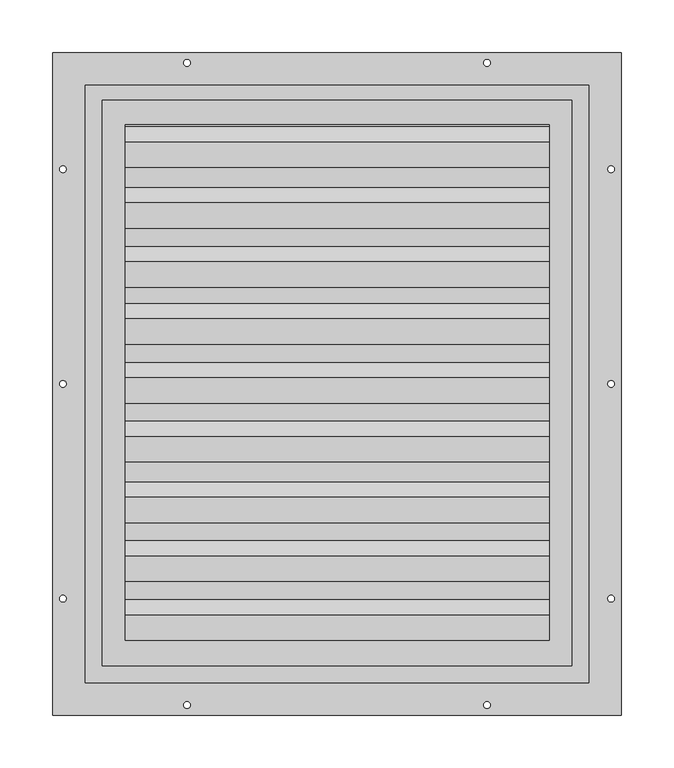
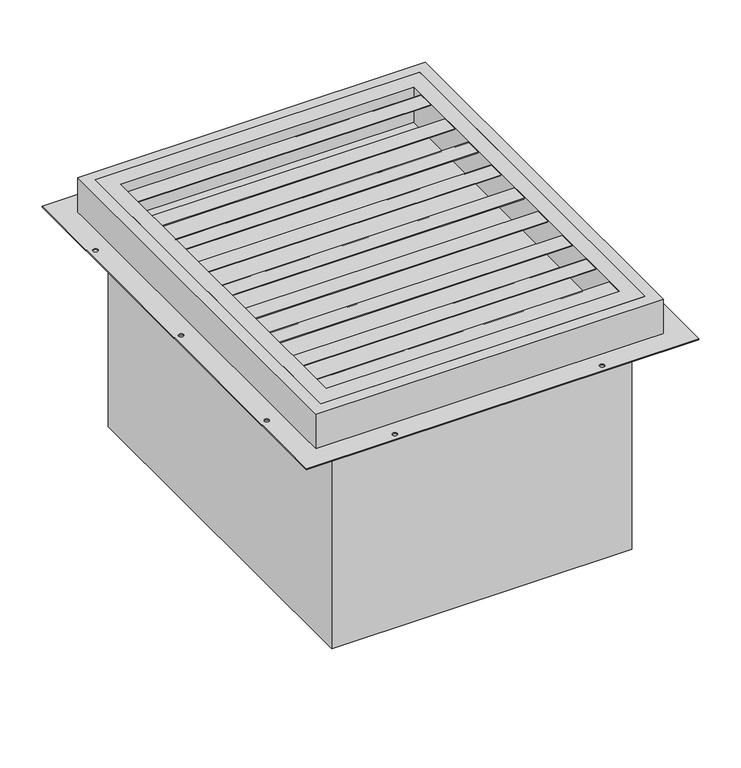
"""IFC4 building model written with IfcOpenShell, lengths in millimetres: proxy geometry."""

from ifc_helpers import new_model, si_unit, point, frame, frame_2d, origin, origin_with_axes, place, context, project, spatial, polyline, circle_curve, trimmed, segment, composite_curve, outline, extrude, source, transform, mapped, element, save


def generic_models_352aea15(model_context):
    return source(origin(), model_context, "Body", "SweptSolid", [
        extrude(outline(polyline([(-204.3155681, 26.8411275), (-205.3315681, 26.8411275), (-205.3315681, 34.9292863), (-219.1048184, 48.7025366), (-242.6454412, 48.7025366), (-242.6454412, 49.7185366), (-218.6839774, 49.7185366), (-204.3155681, 35.3501273), (-204.3155681, 26.8411275)])), frame((-200.6346, 0.0, 0.0), z_axis=(1.0, 0.0, 0.0), x_axis=(0.0, 1.0, 0.0)), (0.0, 0.0, 1.0), 406.2222),
        extrude(outline(polyline([(-148.5879681, 26.8411275), (-149.6039681, 26.8411275), (-149.6039681, 34.9292863), (-163.3772184, 48.7025366), (-186.9178412, 48.7025366), (-186.9178412, 49.7185366), (-162.9563774, 49.7185366), (-148.5879681, 35.3501273), (-148.5879681, 26.8411275)])), frame((-200.6346, 0.0, 0.0), z_axis=(1.0, 0.0, 0.0), x_axis=(0.0, 1.0, 0.0)), (0.0, 0.0, 1.0), 406.2222),
        extrude(outline(polyline([(-92.8603681, 26.8411275), (-93.8763681, 26.8411275), (-93.8763681, 34.9292863), (-107.6496184, 48.7025366), (-131.1902412, 48.7025366), (-131.1902412, 49.7185366), (-107.2287774, 49.7185366), (-92.8603681, 35.3501273), (-92.8603681, 26.8411275)])), frame((-200.6346, 0.0, 0.0), z_axis=(1.0, 0.0, 0.0), x_axis=(0.0, 1.0, 0.0)), (0.0, 0.0, 1.0), 406.2222),
        extrude(outline(polyline([(-35.422907, 26.8411275), (-36.438907, 26.8411275), (-36.438907, 34.9292863), (-50.2121574, 48.7025366), (-73.7527802, 48.7025366), (-73.7527802, 49.7185366), (-49.7913164, 49.7185366), (-35.422907, 35.3501273), (-35.422907, 26.8411275)])), frame((-200.6346, 0.0, 0.0), z_axis=(1.0, 0.0, 0.0), x_axis=(0.0, 1.0, 0.0)), (0.0, 0.0, 1.0), 406.2222),
        extrude(outline(polyline([(20.304693, 26.8411275), (19.288693, 26.8411275), (19.288693, 34.9292863), (5.5154426, 48.7025366), (-18.0251802, 48.7025366), (-18.0251802, 49.7185366), (5.9362836, 49.7185366), (20.304693, 35.3501273), (20.304693, 26.8411275)])), frame((-200.6346, 0.0, 0.0), z_axis=(1.0, 0.0, 0.0), x_axis=(0.0, 1.0, 0.0)), (0.0, 0.0, 1.0), 406.2222),
        extrude(outline(polyline([(76.032293, 26.8411275), (75.016293, 26.8411275), (75.016293, 34.9292863), (61.2430426, 48.7025366), (37.7024198, 48.7025366), (37.7024198, 49.7185366), (61.6638836, 49.7185366), (76.032293, 35.3501273), (76.032293, 26.8411275)])), frame((-200.6346, 0.0, 0.0), z_axis=(1.0, 0.0, 0.0), x_axis=(0.0, 1.0, 0.0)), (0.0, 0.0, 1.0), 406.2222),
        extrude(outline(polyline([(130.0500319, 26.8411275), (129.0340319, 26.8411275), (129.0340319, 34.9292863), (115.2607816, 48.7025366), (91.7201588, 48.7025366), (91.7201588, 49.7185366), (115.6816226, 49.7185366), (130.0500319, 35.3501273), (130.0500319, 26.8411275)])), frame((-200.6346, 0.0, 0.0), z_axis=(1.0, 0.0, 0.0), x_axis=(0.0, 1.0, 0.0)), (0.0, 0.0, 1.0), 406.2222),
        extrude(outline(polyline([(185.7776319, 26.8411275), (184.7616319, 26.8411275), (184.7616319, 34.9292863), (170.9883816, 48.7025366), (147.4477588, 48.7025366), (147.4477588, 49.7185366), (171.4092226, 49.7185366), (185.7776319, 35.3501273), (185.7776319, 26.8411275)])), frame((-200.6346, 0.0, 0.0), z_axis=(1.0, 0.0, 0.0), x_axis=(0.0, 1.0, 0.0)), (0.0, 0.0, 1.0), 406.2222),
        extrude(outline(polyline([(243.215093, 26.8411275), (242.199093, 26.8411275), (242.199093, 34.9292863), (228.4258426, 48.7025366), (204.8852198, 48.7025366), (204.8852198, 49.7185366), (228.8466836, 49.7185366), (243.215093, 35.3501273), (243.215093, 26.8411275)])), frame((-200.6346, 0.0, 0.0), z_axis=(1.0, 0.0, 0.0), x_axis=(0.0, 1.0, 0.0)), (0.0, 0.0, 1.0), 406.2222),
        extrude(outline(polyline([(222.25, 268.4018), (222.25, -266.7), (-222.25, -266.7), (-222.25, 268.4018), (222.25, 268.4018)]), holes=[polyline([(-200.6346, -242.6454412), (200.7616, -242.6454412), (200.7616, 245.2116), (-200.6346, 245.2116), (-200.6346, -242.6454412)])]), origin_with_axes(), (0.0, 0.0, 1.0), 50.8),
        extrude(outline(composite_curve([segment(trimmed(circle_curve(frame_2d((0.0, 50.8)), 127.0), [point((-127.0, 50.8))], [point((127.0, 50.8))], False, "CARTESIAN"), True, "CONTINUOUS"), segment(trimmed(circle_curve(frame_2d((0.0, 50.8)), 127.0), [point((127.0, 50.8))], [point((-127.0, 50.8))], False, "CARTESIAN"), True, "CONTINUOUS")], self_intersect=False)), frame((0.0, 0.0, -345.948), z_axis=(0.0, 0.0, 1.0), x_axis=(1.0, 0.0, 0.0)), (0.0, 0.0, 1.0), 35.306),
        extrude(outline(composite_curve([segment(trimmed(circle_curve(frame_2d((0.0, 50.8)), 63.5), [point((-63.5, 50.8))], [point((63.5, 50.8))], False, "CARTESIAN"), True, "CONTINUOUS"), segment(trimmed(circle_curve(frame_2d((0.0, 50.8)), 63.5), [point((63.5, 50.8))], [point((-63.5, 50.8))], False, "CARTESIAN"), True, "CONTINUOUS")], self_intersect=False)), frame((0.0, 0.0, -371.348), z_axis=(0.0, 0.0, 1.0), x_axis=(1.0, 0.0, 0.0)), (0.0, 0.0, 1.0), 25.4),
        extrude(outline(polyline([(-205.5876, -264.4659678), (-205.5876, 265.9126), (205.5876, 265.9126), (205.5876, -264.4659678), (-205.5876, -264.4659678)])), frame((0.0, 0.0, -311.15), z_axis=(0.0, 0.0, 1.0), x_axis=(1.0, 0.0, 0.0)), (0.0, 0.0, 1.0), 311.15),
        extrude(outline(polyline([(-238.125, -282.575), (-238.125, 282.575), (238.125, 282.575), (238.125, -282.575), (-238.125, -282.575)]), holes=[polyline([(222.25, 268.4018), (-222.25, 268.4018), (-222.25, -266.7), (222.25, -266.7), (222.25, 268.4018)])]), origin_with_axes(), (0.0, 0.0, 1.0), 50.8),
        extrude(outline(polyline([(-268.9606, 313.4106), (268.9606, 313.4106), (268.9606, -313.4106), (-268.9606, -313.4106), (-268.9606, 313.4106)]), holes=[polyline([(-238.125, -282.575), (238.125, -282.575), (238.125, 282.575), (-238.125, 282.575), (-238.125, -282.575)]), composite_curve([segment(trimmed(circle_curve(frame_2d((-259.4356, -203.2)), 3.175), [point((-262.6106, -203.2))], [point((-256.2606, -203.2))], True, "CARTESIAN"), True, "CONTINUOUS"), segment(trimmed(circle_curve(frame_2d((-259.4356, -203.2)), 3.175), [point((-256.2606, -203.2))], [point((-262.6106, -203.2))], True, "CARTESIAN"), True, "CONTINUOUS")], self_intersect=False), composite_curve([segment(trimmed(circle_curve(frame_2d((-141.9606, -303.8856)), 3.175), [point((-145.1356, -303.8856))], [point((-138.7856, -303.8856))], True, "CARTESIAN"), True, "CONTINUOUS"), segment(trimmed(circle_curve(frame_2d((-141.9606, -303.8856)), 3.175), [point((-138.7856, -303.8856))], [point((-145.1356, -303.8856))], True, "CARTESIAN"), True, "CONTINUOUS")], self_intersect=False), composite_curve([segment(trimmed(circle_curve(frame_2d((141.9606, -303.8856)), 3.175), [point((138.7856, -303.8856))], [point((145.1356, -303.8856))], True, "CARTESIAN"), True, "CONTINUOUS"), segment(trimmed(circle_curve(frame_2d((141.9606, -303.8856)), 3.175), [point((145.1356, -303.8856))], [point((138.7856, -303.8856))], True, "CARTESIAN"), True, "CONTINUOUS")], self_intersect=False), composite_curve([segment(trimmed(circle_curve(frame_2d((259.4356, -203.2)), 3.175), [point((256.2606, -203.2))], [point((262.6106, -203.2))], True, "CARTESIAN"), True, "CONTINUOUS"), segment(trimmed(circle_curve(frame_2d((259.4356, -203.2)), 3.175), [point((262.6106, -203.2))], [point((256.2606, -203.2))], True, "CARTESIAN"), True, "CONTINUOUS")], self_intersect=False), composite_curve([segment(trimmed(circle_curve(frame_2d((259.4356, 0.0)), 3.175), [point((256.2606, 0.0))], [point((262.6106, 0.0))], True, "CARTESIAN"), True, "CONTINUOUS"), segment(trimmed(circle_curve(frame_2d((259.4356, 0.0)), 3.175), [point((262.6106, 0.0))], [point((256.2606, 0.0))], True, "CARTESIAN"), True, "CONTINUOUS")], self_intersect=False), composite_curve([segment(trimmed(circle_curve(frame_2d((259.4356, 203.2)), 3.175), [point((256.2606, 203.2))], [point((262.6106, 203.2))], True, "CARTESIAN"), True, "CONTINUOUS"), segment(trimmed(circle_curve(frame_2d((259.4356, 203.2)), 3.175), [point((262.6106, 203.2))], [point((256.2606, 203.2))], True, "CARTESIAN"), True, "CONTINUOUS")], self_intersect=False), composite_curve([segment(trimmed(circle_curve(frame_2d((141.9606, 303.8856)), 3.175), [point((138.7856, 303.8856))], [point((145.1356, 303.8856))], True, "CARTESIAN"), True, "CONTINUOUS"), segment(trimmed(circle_curve(frame_2d((141.9606, 303.8856)), 3.175), [point((145.1356, 303.8856))], [point((138.7856, 303.8856))], True, "CARTESIAN"), True, "CONTINUOUS")], self_intersect=False), composite_curve([segment(trimmed(circle_curve(frame_2d((-141.9606, 303.8856)), 3.175), [point((-145.1356, 303.8856))], [point((-138.7856, 303.8856))], True, "CARTESIAN"), True, "CONTINUOUS"), segment(trimmed(circle_curve(frame_2d((-141.9606, 303.8856)), 3.175), [point((-138.7856, 303.8856))], [point((-145.1356, 303.8856))], True, "CARTESIAN"), True, "CONTINUOUS")], self_intersect=False), composite_curve([segment(trimmed(circle_curve(frame_2d((-259.4356, 203.2)), 3.175), [point((-262.6106, 203.2))], [point((-256.2606, 203.2))], True, "CARTESIAN"), True, "CONTINUOUS"), segment(trimmed(circle_curve(frame_2d((-259.4356, 203.2)), 3.175), [point((-256.2606, 203.2))], [point((-262.6106, 203.2))], True, "CARTESIAN"), True, "CONTINUOUS")], self_intersect=False), composite_curve([segment(trimmed(circle_curve(frame_2d((-259.4356, 0.0)), 3.175), [point((-262.6106, 0.0))], [point((-256.2606, 0.0))], True, "CARTESIAN"), True, "CONTINUOUS"), segment(trimmed(circle_curve(frame_2d((-259.4356, 0.0)), 3.175), [point((-256.2606, 0.0))], [point((-262.6106, 0.0))], True, "CARTESIAN"), True, "CONTINUOUS")], self_intersect=False)]), origin_with_axes(), (0.0, 0.0, 1.0), 1.016),
    ])


if __name__ == "__main__":
    model = new_model("IFC4")
    model_context = context("Model", 3, world=origin())
    ifc_project = project(units=[si_unit("LENGTHUNIT", "METRE", prefix="MILLI")], contexts=[model_context])
    site = spatial("IfcSite", under=ifc_project)
    building = spatial("IfcBuilding", under=site)
    placement = place(None, origin())
    generic_models_shape = generic_models_352aea15(model_context)
    element("IfcBuildingElementProxy", 1, Name="Generic Models", at=placement, inside=building, context=model_context, shape_type="MappedRepresentation", body=[
        mapped(generic_models_shape, transform((0.0, 0.0, 0.0), x_axis=(1.0, 0.0, 0.0), y_axis=(0.0, 1.0, 0.0), z_axis=(0.0, 0.0, 1.0))),
    ])
    save(model, "model.ifc")
